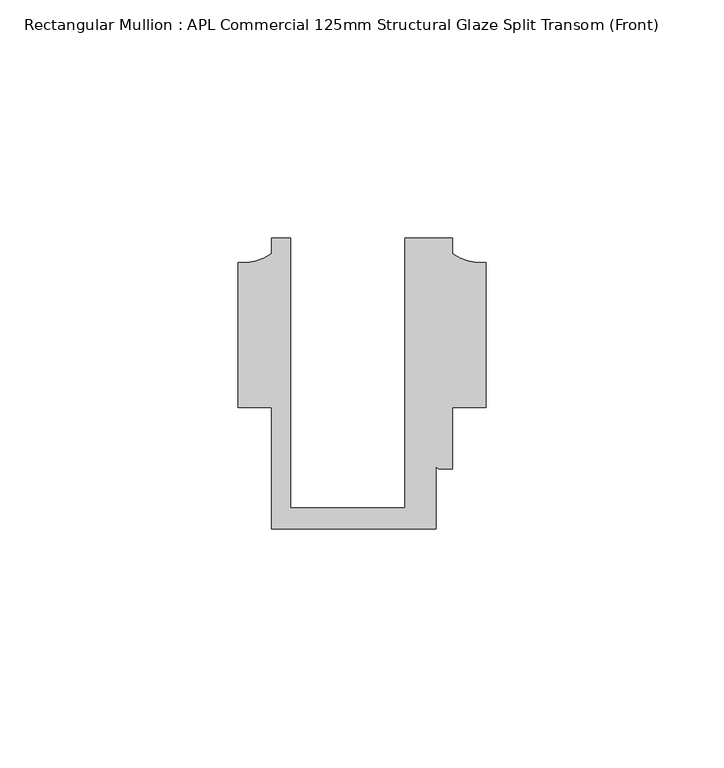
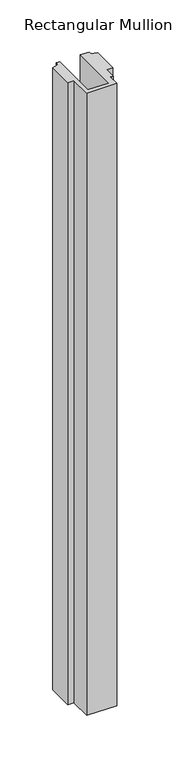
"""IFC4 building model written with IfcOpenShell, lengths in millimetres: member geometry, Rectangular Mullion : APL Commercial 125mm Structural Glaze Split Transom (Front)."""

from ifc_helpers import new_model, si_unit, point, frame, frame_2d, origin, place, context, project, spatial, polyline, circle_curve, trimmed, segment, composite_curve, outline, extrude, source, transform, mapped, element, save


def rectangular_mullion_apl_commercial_125mm_structural_glaze_389cea2b(model_context):
    return source(origin(), model_context, "Body", "SweptSolid", [
        extrude(outline(composite_curve([segment(polyline([(-24.0309529, 20.5), (-24.0309529, -36.1008577), (0.0, -36.1008577), (0.0, 20.5), (10.0000029, 20.5), (10.0000029, 17.3121423)]), True, "CONTINUOUS"), segment(trimmed(circle_curve(frame_2d((16.1098048, 25.7978024)), 10.4563907), [point((10.0000029, 17.3121423))], [point((16.999942, 15.3793686))], True, "CARTESIAN"), True, "CONTINUOUS"), segment(polyline([(16.999942, 15.3793686), (16.999942, -15.0004617), (10.0000029, -15.0004617), (10.0000029, -28.0002131), (7.5000029, -28.0002131)]), True, "CONTINUOUS"), segment(trimmed(circle_curve(frame_2d((7.5000029, -27.0002131)), 1.0), [point((7.5000029, -28.0002131))], [point((6.5000029, -27.0002131))], False, "CARTESIAN"), True, "CONTINUOUS"), segment(polyline([(6.5000029, -27.0002131), (6.5000029, -40.499932), (-28.0000482, -40.499932), (-28.0000482, -15.001276), (-34.9999873, -15.001276), (-34.9999873, 15.3795682)]), True, "CONTINUOUS"), segment(trimmed(circle_curve(frame_2d((-34.10985, 25.7980019)), 10.4563907), [point((-34.9999873, 15.3795682))], [point((-28.0000482, 17.3123419))], True, "CARTESIAN"), True, "CONTINUOUS"), segment(polyline([(-28.0000482, 17.3123419), (-28.0000482, 20.5), (-24.0309529, 20.5)]), True, "CONTINUOUS")], self_intersect=False)), frame((0.0, 0.0, -759.4851421), z_axis=(0.0, 0.0, 1.0), x_axis=(1.0, 0.0, 0.0)), (0.0, 0.0, 1.0), 759.4851421),
    ])


if __name__ == "__main__":
    model = new_model("IFC4")
    model_context = context("Model", 3, world=origin())
    ifc_project = project(units=[si_unit("LENGTHUNIT", "METRE", prefix="MILLI")], contexts=[model_context])
    site = spatial("IfcSite", under=ifc_project)
    building = spatial("IfcBuilding", under=site)
    placement = place(None, origin())
    rectangular_mullion_apl_commercial_125mm_structural_glaze_shape = rectangular_mullion_apl_commercial_125mm_structural_glaze_389cea2b(model_context)
    element("IfcMember", 1, ObjectType="Rectangular Mullion : APL Commercial 125mm Structural Glaze Split Transom (Front)", at=placement, inside=building, context=model_context, shape_type="MappedRepresentation", body=[
        mapped(rectangular_mullion_apl_commercial_125mm_structural_glaze_shape, transform((0.0, 0.0, 0.0), x_axis=(1.0, 0.0, 0.0), y_axis=(0.0, 1.0, 0.0), z_axis=(0.0, 0.0, 1.0))),
    ])
    save(model, "model.ifc")
